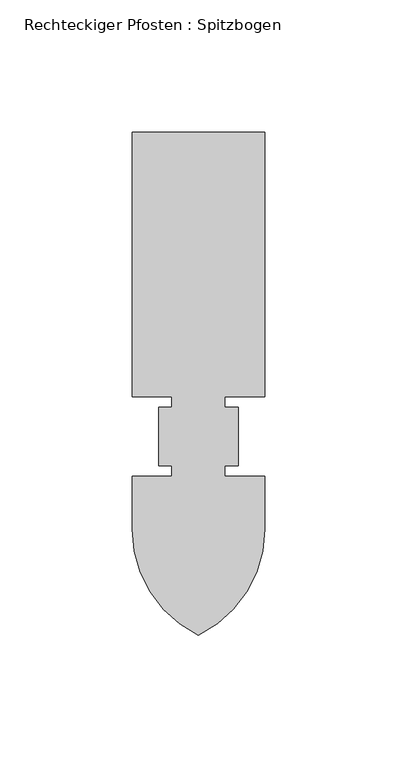
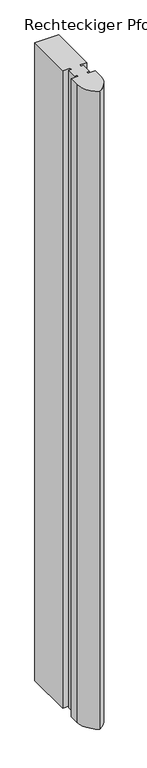
"""IFC4 building model written with IfcOpenShell, lengths in millimetres: member geometry, Rechteckiger Pfosten : Spitzbogen."""

from ifc_helpers import new_model, si_unit, point, frame, frame_2d, origin, place, context, project, spatial, polyline, circle_curve, trimmed, segment, composite_curve, outline, extrude, source, transform, mapped, element, save


def rechteckiger_pfosten_spitzbogen_a8433e8a(model_context):
    return source(origin(), model_context, "Body", "SweptSolid", [
        extrude(outline(composite_curve([segment(polyline([(-25.0, 115.0), (25.0, 115.0), (25.0, 15.0), (10.0, 15.0), (10.0, 11.0), (15.0, 11.0), (15.0, -11.0), (10.0, -11.0), (10.0, -15.0), (25.0, -15.0), (25.0, -35.0)]), True, "CONTINUOUS"), segment(trimmed(circle_curve(frame_2d((-19.5, -35.0)), 44.5), [point((25.0, -35.0))], [point((0.0, -75.0))], False, "CARTESIAN"), True, "CONTINUOUS"), segment(trimmed(circle_curve(frame_2d((19.5, -35.0)), 44.5), [point((0.0, -75.0))], [point((-25.0, -35.0))], False, "CARTESIAN"), True, "CONTINUOUS"), segment(polyline([(-25.0, -35.0), (-25.0, -15.0), (-10.0, -15.0), (-10.0, -11.0), (-15.0, -11.0), (-15.0, 11.0), (-10.0, 11.0), (-10.0, 15.0), (-25.0, 15.0), (-25.0, 115.0)]), True, "CONTINUOUS")], self_intersect=False)), frame((0.0, 0.0, -1400.0), z_axis=(0.0, 0.0, 1.0), x_axis=(1.0, 0.0, 0.0)), (0.0, 0.0, 1.0), 1400.0),
    ])


if __name__ == "__main__":
    model = new_model("IFC4")
    model_context = context("Model", 3, world=origin())
    ifc_project = project(units=[si_unit("LENGTHUNIT", "METRE", prefix="MILLI")], contexts=[model_context])
    site = spatial("IfcSite", under=ifc_project)
    building = spatial("IfcBuilding", under=site)
    placement = place(None, origin())
    rechteckiger_pfosten_spitzbogen_shape = rechteckiger_pfosten_spitzbogen_a8433e8a(model_context)
    element("IfcMember", 1, ObjectType="Rechteckiger Pfosten : Spitzbogen", at=placement, inside=building, context=model_context, shape_type="MappedRepresentation", body=[
        mapped(rechteckiger_pfosten_spitzbogen_shape, transform((0.0, 0.0, 0.0), x_axis=(1.0, 0.0, 0.0), y_axis=(0.0, 1.0, 0.0), z_axis=(0.0, 0.0, 1.0))),
    ])
    save(model, "model.ifc")
